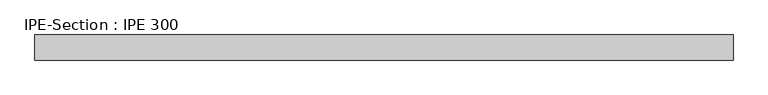
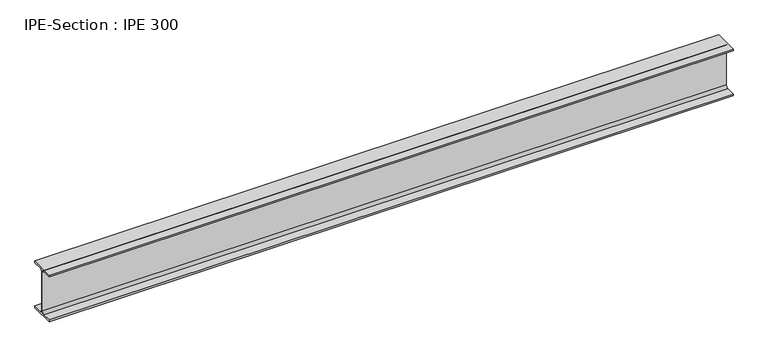
"""IFC4 building model written with IfcOpenShell, lengths in millimetres: beam geometry, IPE-Section : IPE 300."""

from ifc_helpers import new_model, si_unit, point, frame, frame_2d, origin, place, context, project, spatial, polyline, circle_curve, trimmed, segment, composite_curve, outline, extrude, source, transform, mapped, element, save


def ipe_section_ipe_300_d1c9477c(model_context):
    return source(origin(), model_context, "Body", "SweptSolid", [
        extrude(outline(composite_curve([segment(polyline([(75.0, -139.3), (75.0, -150.0), (-75.0, -150.0), (-75.0, -139.3), (-18.55, -139.3)]), True, "CONTINUOUS"), segment(trimmed(circle_curve(frame_2d((-18.55, -124.3)), 15.0), [point((-18.55, -139.3))], [point((-3.55, -124.3))], True, "CARTESIAN"), True, "CONTINUOUS"), segment(polyline([(-3.55, -124.3), (-3.55, 124.3)]), True, "CONTINUOUS"), segment(trimmed(circle_curve(frame_2d((-18.55, 124.3)), 15.0), [point((-3.55, 124.3))], [point((-18.55, 139.3))], True, "CARTESIAN"), True, "CONTINUOUS"), segment(polyline([(-18.55, 139.3), (-75.0, 139.3), (-75.0, 150.0), (75.0, 150.0), (75.0, 139.3), (18.55, 139.3)]), True, "CONTINUOUS"), segment(trimmed(circle_curve(frame_2d((18.55, 124.3)), 15.0), [point((18.55, 139.3))], [point((3.55, 124.3))], True, "CARTESIAN"), True, "CONTINUOUS"), segment(polyline([(3.55, 124.3), (3.55, -124.3)]), True, "CONTINUOUS"), segment(trimmed(circle_curve(frame_2d((18.55, -124.3)), 15.0), [point((3.55, -124.3))], [point((18.55, -139.3))], True, "CARTESIAN"), True, "CONTINUOUS"), segment(polyline([(18.55, -139.3), (75.0, -139.3)]), True, "CONTINUOUS")], self_intersect=False)), frame((-2075.2166661, 0.0, 0.0), z_axis=(1.0, 0.0, 0.0), x_axis=(0.0, 1.0, 0.0)), (0.0, 0.0, 1.0), 4163.1333327),
    ])


if __name__ == "__main__":
    model = new_model("IFC4")
    model_context = context("Model", 3, world=origin())
    ifc_project = project(units=[si_unit("LENGTHUNIT", "METRE", prefix="MILLI")], contexts=[model_context])
    site = spatial("IfcSite", under=ifc_project)
    building = spatial("IfcBuilding", under=site)
    placement = place(None, origin())
    ipe_section_ipe_300_shape = ipe_section_ipe_300_d1c9477c(model_context)
    element("IfcBeam", 1, ObjectType="IPE-Section : IPE 300", at=placement, inside=building, context=model_context, shape_type="MappedRepresentation", body=[
        mapped(ipe_section_ipe_300_shape, transform((0.0, 0.0, 0.0), x_axis=(1.0, 0.0, 0.0), y_axis=(0.0, 1.0, 0.0), z_axis=(0.0, 0.0, 1.0))),
    ])
    save(model, "model.ifc")
